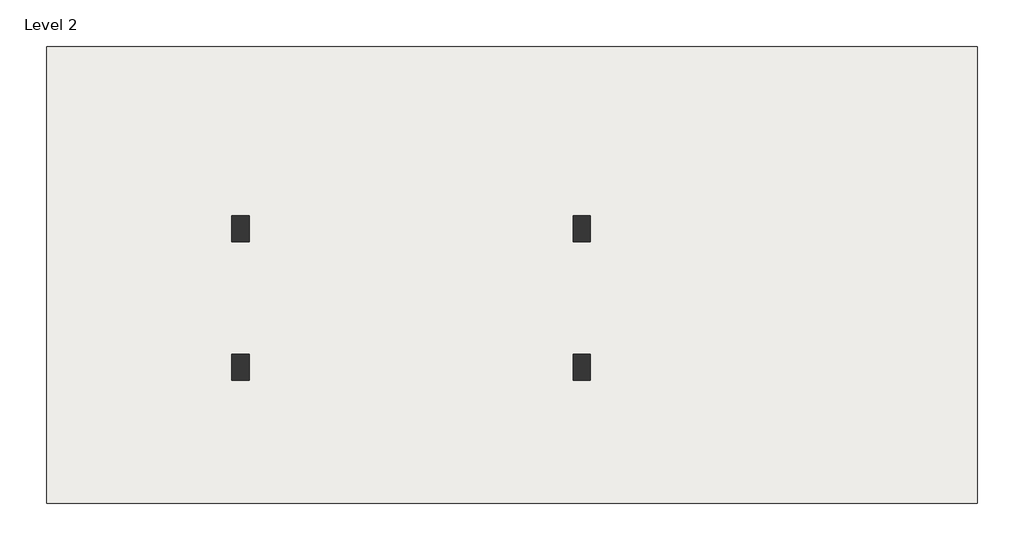
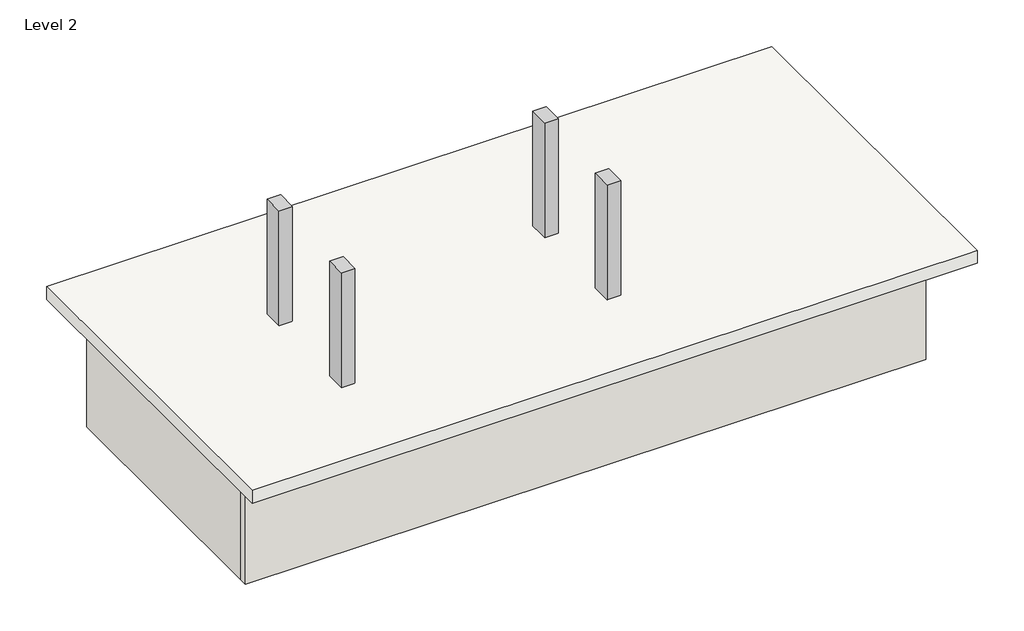
# One storey: 5 walls, 4 columns, 1 slab.
"""IFC4 building model written with IfcOpenShell, lengths in millimetres."""

from ifc_helpers import new_model, si_unit, frame, origin, origin_with_axes, place, context, project, spatial, polyline, outline, extrude, faceted_brep, element, save

model = new_model("IFC4")

# Units and contexts
model_context = context("Model", 3, world=origin())
ifc_project = project(units=[si_unit("LENGTHUNIT", "METRE", prefix="MILLI")], contexts=[model_context])

# Site, building, storey
site = spatial("IfcSite", under=ifc_project)
building = spatial("IfcBuilding", under=site)
storey = spatial("IfcBuildingStorey", under=building, Name="Level 2", Elevation=3000.0)

# Columns
placement = place(None, origin())
element("IfcColumn", 1, ObjectType="Concrete-Rectangular-Column : 300 x 450mm", at=placement, inside=storey, context=model_context, shape_type="SweptSolid", body=[
    extrude(outline(polyline([(-11191.3311483, 4697.6109772), (-11191.3311483, 4247.6109772), (-11491.3311483, 4247.6109772), (-11491.3311483, 4697.6109772), (-11191.3311483, 4697.6109772)])), frame((0.0, 0.0, 3000.0), z_axis=(0.0, 0.0, 1.0), x_axis=(1.0, 0.0, 0.0)), (0.0, 0.0, 1.0), 2700.0),
])
element("IfcColumn", 2, ObjectType="Concrete-Rectangular-Column : 300 x 450mm", at=placement, inside=storey, context=model_context, shape_type="SweptSolid", body=[
    extrude(outline(polyline([(-5291.3311483, 4697.6109772), (-5291.3311483, 4247.6109772), (-5591.3311483, 4247.6109772), (-5591.3311483, 4697.6109772), (-5291.3311483, 4697.6109772)])), frame((0.0, 0.0, 3000.0), z_axis=(0.0, 0.0, 1.0), x_axis=(1.0, 0.0, 0.0)), (0.0, 0.0, 1.0), 2700.0),
])
element("IfcColumn", 3, ObjectType="Concrete-Rectangular-Column : 300 x 450mm", at=placement, inside=storey, context=model_context, shape_type="SweptSolid", body=[
    extrude(outline(polyline([(-5291.3311483, 2297.6109772), (-5291.3311483, 1847.6109772), (-5591.3311483, 1847.6109772), (-5591.3311483, 2297.6109772), (-5291.3311483, 2297.6109772)])), frame((0.0, 0.0, 3000.0), z_axis=(0.0, 0.0, 1.0), x_axis=(1.0, 0.0, 0.0)), (0.0, 0.0, 1.0), 2700.0),
])
element("IfcColumn", 4, ObjectType="Concrete-Rectangular-Column : 300 x 450mm", at=placement, inside=storey, context=model_context, shape_type="SweptSolid", body=[
    extrude(outline(polyline([(-11191.3311483, 2297.6109772), (-11191.3311483, 1847.6109772), (-11491.3311483, 1847.6109772), (-11491.3311483, 2297.6109772), (-11191.3311483, 2297.6109772)])), frame((0.0, 0.0, 3000.0), z_axis=(0.0, 0.0, 1.0), x_axis=(1.0, 0.0, 0.0)), (0.0, 0.0, 1.0), 2700.0),
])

# Slab
element("IfcSlab", 5, ObjectType="Generic 300mm", at=placement, inside=storey, context=model_context, shape_type="SweptSolid", body=[
    extrude(outline(polyline([(1401.9625697, 7621.4727256), (1401.9625697, -278.5272744), (-14698.0374303, -278.5272744), (-14698.0374303, 7621.4727256), (1401.9625697, 7621.4727256)])), frame((0.0, 0.0, 2700.0), z_axis=(0.0, 0.0, 1.0), x_axis=(1.0, 0.0, 0.0)), (0.0, 0.0, 1.0), 300.0),
])

# Walls
element("IfcWall", 6, ObjectType="Generic - 200mm", at=placement, inside=storey, context=model_context, shape_type="Brep", body=[
    faceted_brep([(-14241.3311483, 772.6109772, 0.0), (858.6688517, 772.6109772, 0.0), (858.6688517, 772.6109772, 2700.0), (-14241.3311483, 772.6109772, 2700.0), (-14241.3311483, 972.6109772, 0.0), (-14241.3311483, 972.6109772, 2700.0), (-14041.3311483, 972.6109772, 2700.0), (-8541.3311483, 972.6109772, 2700.0), (-8341.3311483, 972.6109772, 2700.0), (-241.3311483, 972.6109772, 2700.0), (-41.3311483, 972.6109772, 2700.0), (858.6688517, 972.6109772, 2700.0), (858.6688517, 972.6109772, 0.0), (-41.3311483, 972.6109772, 0.0), (-241.3311483, 972.6109772, 0.0), (-8341.3311483, 972.6109772, 0.0), (-8541.3311483, 972.6109772, 0.0), (-14041.3311483, 972.6109772, 0.0)], [[[0, 1, 2, 3]], [[4, 5, 6, 7, 8, 9, 10, 11, 12, 13, 14, 15, 16, 17]], [[1, 0, 4, 17, 16, 15, 14, 13, 12]], [[2, 1, 12, 11]], [[0, 3, 5, 4]], [[3, 2, 11, 10, 9, 8, 7, 6, 5]]]),
])
element("IfcWall", 7, ObjectType="Generic - 200mm", at=placement, inside=storey, context=model_context, shape_type="Brep", body=[
    faceted_brep([(-14041.3311483, 972.6109772, 0.0), (-14041.3311483, 6672.6109772, 0.0), (-14041.3311483, 6872.6109772, 0.0), (-14041.3311483, 6872.6109772, 2700.0), (-14041.3311483, 6672.6109772, 2700.0), (-14041.3311483, 972.6109772, 2700.0), (-14241.3311483, 972.6109772, 0.0), (-14241.3311483, 972.6109772, 2700.0), (-14241.3311483, 6872.6109772, 2700.0), (-14241.3311483, 6872.6109772, 0.0)], [[[0, 1, 2, 3, 4, 5]], [[6, 7, 8, 9]], [[2, 1, 0, 6, 9]], [[0, 5, 7, 6]], [[3, 2, 9, 8]], [[5, 4, 3, 8, 7]]]),
])
element("IfcWall", 8, ObjectType="Generic - 200mm", at=placement, inside=storey, context=model_context, shape_type="Brep", body=[
    faceted_brep([(-14041.3311483, 6672.6109772, 0.0), (-8541.3311483, 6672.6109772, 0.0), (-8341.3311483, 6672.6109772, 0.0), (-241.3311483, 6672.6109772, 0.0), (-41.3311483, 6672.6109772, 0.0), (-41.3311483, 6672.6109772, 2700.0), (-241.3311483, 6672.6109772, 2700.0), (-8341.3311483, 6672.6109772, 2700.0), (-8541.3311483, 6672.6109772, 2700.0), (-14041.3311483, 6672.6109772, 2700.0), (-14041.3311483, 6872.6109772, 0.0), (-14041.3311483, 6872.6109772, 2700.0), (-41.3311483, 6872.6109772, 2700.0), (-41.3311483, 6872.6109772, 0.0)], [[[0, 1, 2, 3, 4, 5, 6, 7, 8, 9]], [[10, 11, 12, 13]], [[4, 3, 2, 1, 0, 10, 13]], [[0, 9, 11, 10]], [[5, 4, 13, 12]], [[9, 8, 7, 6, 5, 12, 11]]]),
])
element("IfcWall", 9, ObjectType="Generic - 200mm", at=placement, inside=storey, context=model_context, shape_type="SweptSolid", body=[
    extrude(outline(polyline([(-241.3311483, 972.6109772), (-241.3311483, 6672.6109772), (-41.3311483, 6672.6109772), (-41.3311483, 972.6109772), (-241.3311483, 972.6109772)])), origin_with_axes(), (0.0, 0.0, 1.0), 2700.0),
])
element("IfcWall", 10, ObjectType="Generic - 200mm", at=placement, inside=storey, context=model_context, shape_type="SweptSolid", body=[
    extrude(outline(polyline([(-8541.3311483, 972.6109772), (-8541.3311483, 6672.6109772), (-8341.3311483, 6672.6109772), (-8341.3311483, 972.6109772), (-8541.3311483, 972.6109772)])), origin_with_axes(), (0.0, 0.0, 1.0), 2700.0),
])

save(model, "model.ifc")
